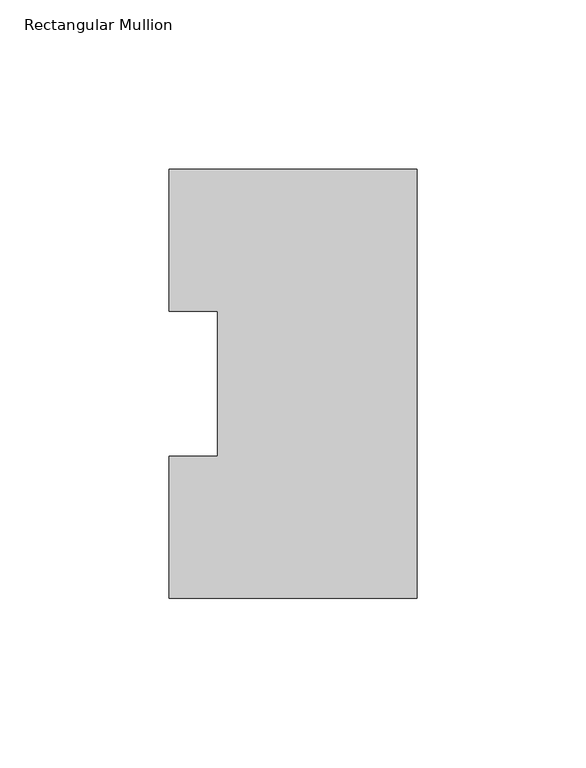
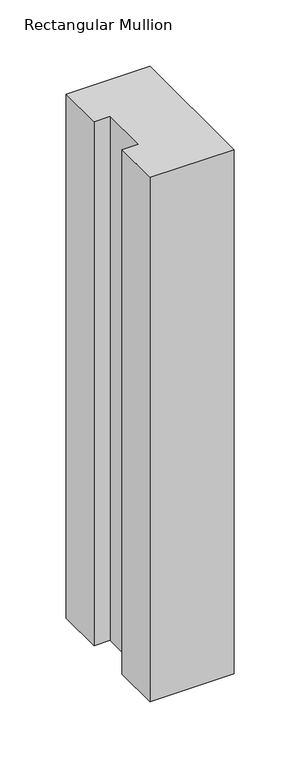
"""IFC4 building model written with IfcOpenShell, lengths in millimetres: member geometry, Rectangular Mullion."""

from ifc_helpers import new_model, si_unit, frame, origin, place, context, project, spatial, polyline, outline, extrude, source, transform, mapped, element, save


def rectangular_mullion_5a9decb2(model_context):
    return source(origin(), model_context, "Body", "SweptSolid", [
        extrude(outline(polyline([(0.0, 126.75235), (0.0, 0.26035), (-73.025, 0.26035), (-73.025, 42.08145), (-58.7375, 42.08145), (-58.7375, 84.93125), (-73.025, 84.93125), (-73.025, 126.75235), (0.0, 126.75235)])), frame((0.0, 0.0, -482.6), z_axis=(0.0, 0.0, 1.0), x_axis=(1.0, 0.0, 0.0)), (0.0, 0.0, 1.0), 482.6),
    ])


if __name__ == "__main__":
    model = new_model("IFC4")
    model_context = context("Model", 3, world=origin())
    ifc_project = project(units=[si_unit("LENGTHUNIT", "METRE", prefix="MILLI")], contexts=[model_context])
    site = spatial("IfcSite", under=ifc_project)
    building = spatial("IfcBuilding", under=site)
    placement = place(None, origin())
    rectangular_mullion_shape = rectangular_mullion_5a9decb2(model_context)
    element("IfcMember", 1, ObjectType="Rectangular Mullion", at=placement, inside=building, context=model_context, shape_type="MappedRepresentation", body=[
        mapped(rectangular_mullion_shape, transform((0.0, 0.0, 0.0), x_axis=(1.0, 0.0, 0.0), y_axis=(0.0, 1.0, 0.0), z_axis=(0.0, 0.0, 1.0))),
    ])
    save(model, "model.ifc")
